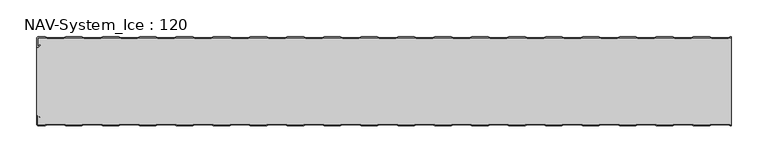
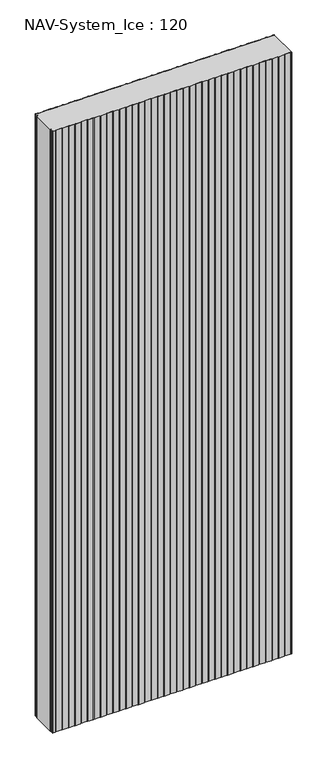
"""IFC4 building model written with IfcOpenShell, lengths in millimetres: plate geometry, NAV-System_Ice : 120."""

from ifc_helpers import new_model, si_unit, point, frame_2d, origin, origin_with_axes, place, context, project, spatial, polyline, circle_curve, trimmed, segment, composite_curve, outline, extrude, source, transform, mapped, element, save


def nav_system_ice_120_50a30727(model_context):
    return source(origin(), model_context, "Body", "SweptSolid", [
        extrude(outline(composite_curve([segment(polyline([(469.1298221, -0.8), (466.1298221, -1.8), (443.8701779, -1.8), (440.8701779, -0.8), (419.1298221, -0.8), (416.1298221, -1.8), (393.8701779, -1.8), (390.8701779, -0.8), (369.1298221, -0.8), (366.1298221, -1.8), (343.8701779, -1.8), (340.8701779, -0.8), (319.1298221, -0.8), (316.1298221, -1.8), (293.8701779, -1.8), (290.8701779, -0.8), (269.1298221, -0.8), (266.1298221, -1.8), (243.8701779, -1.8), (240.8701779, -0.8), (219.1298221, -0.8), (216.1298221, -1.8), (193.8701779, -1.8), (190.8701779, -0.8), (169.1298221, -0.8), (166.1298221, -1.8), (143.8701779, -1.8), (140.8701779, -0.8), (119.1298221, -0.8), (116.1298221, -1.8), (93.8701779, -1.8), (90.8701779, -0.8), (69.1298221, -0.8), (66.1298221, -1.8), (43.8701779, -1.8), (40.8701779, -0.8), (19.1298221, -0.8), (16.1298221, -1.8), (-6.1298221, -1.8), (-9.1298221, -0.8), (-30.8701779, -0.8), (-33.8701779, -1.8), (-56.1298221, -1.8), (-59.1298221, -0.8), (-80.8701779, -0.8), (-83.8701779, -1.8), (-106.1298221, -1.8), (-109.1298221, -0.8), (-130.8701779, -0.8), (-133.8701779, -1.8), (-156.1298221, -1.8), (-159.1298221, -0.8), (-180.8701779, -0.8), (-183.8701779, -1.8), (-206.1298221, -1.8), (-209.1298221, -0.8), (-230.8701779, -0.8), (-233.8701779, -1.8), (-256.1298221, -1.8), (-259.1298221, -0.8), (-280.8701779, -0.8), (-283.8701779, -1.8), (-306.1298221, -1.8), (-309.1298221, -0.8), (-330.8701779, -0.8), (-333.8701779, -1.8), (-356.1298221, -1.8), (-359.1298221, -0.8), (-380.8701779, -0.8), (-383.8701779, -1.8), (-406.1298221, -1.8), (-409.1298221, -0.8), (-430.8701779, -0.8), (-433.8701779, -1.8), (-456.1298221, -1.8), (-459.1298221, -0.8), (-468.7, -0.8)]), True, "CONTINUOUS"), segment(trimmed(circle_curve(frame_2d((-468.7, -1.3)), 0.5), [point((-468.7, -0.8))], [point((-469.2, -1.3))], True, "CARTESIAN"), True, "CONTINUOUS"), segment(polyline([(-469.2, -1.3), (-469.2, -12.5857864)]), True, "CONTINUOUS"), segment(trimmed(circle_curve(frame_2d((-468.7, -12.5857864)), 0.5), [point((-469.2, -12.5857864))], [point((-468.3464466, -12.9393398))], True, "CARTESIAN"), True, "CONTINUOUS"), segment(polyline([(-468.3464466, -12.9393398), (-465.9205321, -10.5134253), (-465.3548467, -11.0791108), (-467.7807612, -13.5050253)]), True, "CONTINUOUS"), segment(trimmed(circle_curve(frame_2d((-468.7, -12.5857864)), 1.3), [point((-467.7807612, -13.5050253))], [point((-470.0, -12.5857864))], False, "CARTESIAN"), True, "CONTINUOUS"), segment(polyline([(-470.0, -12.5857864), (-470.0, -1.3)]), True, "CONTINUOUS"), segment(trimmed(circle_curve(frame_2d((-468.7, -1.3)), 1.3), [point((-470.0, -1.3))], [point((-468.7, 0.0))], False, "CARTESIAN"), True, "CONTINUOUS"), segment(polyline([(-468.7, 0.0), (-459.0, 0.0), (-456.0, -1.0), (-434.0, -1.0), (-431.0, 0.0), (-409.0, 0.0), (-406.0, -1.0), (-384.0, -1.0), (-381.0, 0.0), (-359.0, 0.0), (-356.0, -1.0), (-334.0, -1.0), (-331.0, 0.0), (-309.0, 0.0), (-306.0, -1.0), (-284.0, -1.0), (-281.0, 0.0), (-259.0, 0.0), (-256.0, -1.0), (-234.0, -1.0), (-231.0, 0.0), (-209.0, 0.0), (-206.0, -1.0), (-184.0, -1.0), (-181.0, 0.0), (-159.0, 0.0), (-156.0, -1.0), (-134.0, -1.0), (-131.0, 0.0), (-109.0, 0.0), (-106.0, -1.0), (-84.0, -1.0), (-81.0, 0.0), (-59.0, 0.0), (-56.0, -1.0), (-34.0, -1.0), (-31.0, 0.0), (-9.0, 0.0), (-6.0, -1.0), (16.0, -1.0), (19.0, 0.0), (41.0, 0.0), (44.0, -1.0), (66.0, -1.0), (69.0, 0.0), (91.0, 0.0), (94.0, -1.0), (116.0, -1.0), (119.0, 0.0), (141.0, 0.0), (144.0, -1.0), (166.0, -1.0), (169.0, 0.0), (191.0, 0.0), (194.0, -1.0), (216.0, -1.0), (219.0, 0.0), (241.0, 0.0), (244.0, -1.0), (266.0, -1.0), (269.0, 0.0), (291.0, 0.0), (294.0, -1.0), (316.0, -1.0), (319.0, 0.0), (341.0, 0.0), (344.0, -1.0), (366.0, -1.0), (369.0, 0.0), (391.0, 0.0), (394.0, -1.0), (416.0, -1.0), (419.0, 0.0), (441.0, 0.0), (444.0, -1.0), (466.0, -1.0), (469.0, 0.0), (470.0, 0.0), (470.0, -0.8), (469.1298221, -0.8)]), True, "CONTINUOUS")], self_intersect=False)), origin_with_axes(), (0.0, 0.0, 1.0), 2500.0),
        extrude(outline(composite_curve([segment(polyline([(469.1298221, -119.2), (466.1298221, -118.2), (443.8701779, -118.2), (440.8701779, -119.2), (419.1298221, -119.2), (416.1298221, -118.2), (393.8701779, -118.2), (390.8701779, -119.2), (369.1298221, -119.2), (366.1298221, -118.2), (343.8701779, -118.2), (340.8701779, -119.2), (319.1298221, -119.2), (316.1298221, -118.2), (293.8701779, -118.2), (290.8701779, -119.2), (269.1298221, -119.2), (266.1298221, -118.2), (243.8701779, -118.2), (240.8701779, -119.2), (219.1298221, -119.2), (216.1298221, -118.2), (193.8701779, -118.2), (190.8701779, -119.2), (169.1298221, -119.2), (166.1298221, -118.2), (143.8701779, -118.2), (140.8701779, -119.2), (119.1298221, -119.2), (116.1298221, -118.2), (93.8701779, -118.2), (90.8701779, -119.2), (69.1298221, -119.2), (66.1298221, -118.2), (43.8701779, -118.2), (40.8701779, -119.2), (19.1298221, -119.2), (16.1298221, -118.2), (-6.1298221, -118.2), (-9.1298221, -119.2), (-30.8701779, -119.2), (-33.8701779, -118.2), (-56.1298221, -118.2), (-59.1298221, -119.2), (-80.8701779, -119.2), (-83.8701779, -118.2), (-106.1298221, -118.2), (-109.1298221, -119.2), (-130.8701779, -119.2), (-133.8701779, -118.2), (-156.1298221, -118.2), (-159.1298221, -119.2), (-180.8701779, -119.2), (-183.8701779, -118.2), (-206.1298221, -118.2), (-209.1298221, -119.2), (-230.8701779, -119.2), (-233.8701779, -118.2), (-256.1298221, -118.2), (-259.1298221, -119.2), (-280.8701779, -119.2), (-283.8701779, -118.2), (-306.1298221, -118.2), (-309.1298221, -119.2), (-330.8701779, -119.2), (-333.8701779, -118.2), (-356.1298221, -118.2), (-359.1298221, -119.2), (-380.8701779, -119.2), (-383.8701779, -118.2), (-406.1298221, -118.2), (-409.1298221, -119.2), (-430.8701779, -119.2), (-433.8701779, -118.2), (-456.1298221, -118.2), (-459.1298221, -119.2), (-468.7, -119.2)]), True, "CONTINUOUS"), segment(trimmed(circle_curve(frame_2d((-468.7, -118.7)), 0.5), [point((-468.7, -119.2))], [point((-469.2, -118.7))], False, "CARTESIAN"), True, "CONTINUOUS"), segment(polyline([(-469.2, -118.7), (-469.2, -107.4142136)]), True, "CONTINUOUS"), segment(trimmed(circle_curve(frame_2d((-468.7, -107.4142136)), 0.5), [point((-469.2, -107.4142136))], [point((-468.3464466, -107.0606602))], False, "CARTESIAN"), True, "CONTINUOUS"), segment(polyline([(-468.3464466, -107.0606602), (-465.9205321, -109.4865747), (-465.3548467, -108.9208892), (-467.7807612, -106.4949747)]), True, "CONTINUOUS"), segment(trimmed(circle_curve(frame_2d((-468.7, -107.4142136)), 1.3), [point((-467.7807612, -106.4949747))], [point((-468.7, -106.1142136))], True, "CARTESIAN"), True, "CONTINUOUS"), segment(polyline([(-468.7, -106.1142136), (-470.0, -106.1142136), (-470.0, -13.8857864), (-468.7, -13.8857864)]), True, "CONTINUOUS"), segment(trimmed(circle_curve(frame_2d((-468.7, -12.5857864)), 1.3), [point((-468.7, -13.8857864))], [point((-467.7807612, -13.5050253))], True, "CARTESIAN"), True, "CONTINUOUS"), segment(polyline([(-467.7807612, -13.5050253), (-465.3548467, -11.0791108), (-465.9205321, -10.5134253), (-468.3464466, -12.9393398)]), True, "CONTINUOUS"), segment(trimmed(circle_curve(frame_2d((-468.7, -12.5857864)), 0.5), [point((-468.3464466, -12.9393398))], [point((-469.2, -12.5857864))], False, "CARTESIAN"), True, "CONTINUOUS"), segment(polyline([(-469.2, -12.5857864), (-469.2, -1.3)]), True, "CONTINUOUS"), segment(trimmed(circle_curve(frame_2d((-468.7, -1.3)), 0.5), [point((-469.2, -1.3))], [point((-468.7, -0.8))], False, "CARTESIAN"), True, "CONTINUOUS"), segment(polyline([(-468.7, -0.8), (-459.1298221, -0.8), (-456.1298221, -1.8), (-433.8701779, -1.8), (-430.8701779, -0.8), (-409.1298221, -0.8), (-406.1298221, -1.8), (-383.8701779, -1.8), (-380.8701779, -0.8), (-359.1298221, -0.8), (-356.1298221, -1.8), (-333.8701779, -1.8), (-330.8701779, -0.8), (-309.1298221, -0.8), (-306.1298221, -1.8), (-283.8701779, -1.8), (-280.8701779, -0.8), (-259.1298221, -0.8), (-256.1298221, -1.8), (-233.8701779, -1.8), (-230.8701779, -0.8), (-209.1298221, -0.8), (-206.1298221, -1.8), (-183.8701779, -1.8), (-180.8701779, -0.8), (-159.1298221, -0.8), (-156.1298221, -1.8), (-133.8701779, -1.8), (-130.8701779, -0.8), (-109.1298221, -0.8), (-106.1298221, -1.8), (-83.8701779, -1.8), (-80.8701779, -0.8), (-59.1298221, -0.8), (-56.1298221, -1.8), (-33.8701779, -1.8), (-30.8701779, -0.8), (-9.1298221, -0.8), (-6.1298221, -1.8), (16.1298221, -1.8), (19.1298221, -0.8), (40.8701779, -0.8), (43.8701779, -1.8), (66.1298221, -1.8), (69.1298221, -0.8), (90.8701779, -0.8), (93.8701779, -1.8), (116.1298221, -1.8), (119.1298221, -0.8), (140.8701779, -0.8), (143.8701779, -1.8), (166.1298221, -1.8), (169.1298221, -0.8), (190.8701779, -0.8), (193.8701779, -1.8), (216.1298221, -1.8), (219.1298221, -0.8), (240.8701779, -0.8), (243.8701779, -1.8), (266.1298221, -1.8), (269.1298221, -0.8), (290.8701779, -0.8), (293.8701779, -1.8), (316.1298221, -1.8), (319.1298221, -0.8), (340.8701779, -0.8), (343.8701779, -1.8), (366.1298221, -1.8), (369.1298221, -0.8), (390.8701779, -0.8), (393.8701779, -1.8), (416.1298221, -1.8), (419.1298221, -0.8), (440.8701779, -0.8), (443.8701779, -1.8), (466.1298221, -1.8), (469.1298221, -0.8), (470.0, -0.8), (470.0, -119.2), (469.1298221, -119.2)]), True, "CONTINUOUS")], self_intersect=False)), origin_with_axes(), (0.0, 0.0, 1.0), 2500.0),
        extrude(outline(composite_curve([segment(polyline([(469.0, -120.0), (466.0, -119.0), (444.0, -119.0), (441.0, -120.0), (419.0, -120.0), (416.0, -119.0), (394.0, -119.0), (391.0, -120.0), (369.0, -120.0), (366.0, -119.0), (344.0, -119.0), (341.0, -120.0), (319.0, -120.0), (316.0, -119.0), (294.0, -119.0), (291.0, -120.0), (269.0, -120.0), (266.0, -119.0), (244.0, -119.0), (241.0, -120.0), (219.0, -120.0), (216.0, -119.0), (194.0, -119.0), (191.0, -120.0), (169.0, -120.0), (166.0, -119.0), (144.0, -119.0), (141.0, -120.0), (119.0, -120.0), (116.0, -119.0), (94.0, -119.0), (91.0, -120.0), (69.0, -120.0), (66.0, -119.0), (44.0, -119.0), (41.0, -120.0), (19.0, -120.0), (16.0, -119.0), (-6.0, -119.0), (-9.0, -120.0), (-31.0, -120.0), (-34.0, -119.0), (-56.0, -119.0), (-59.0, -120.0), (-81.0, -120.0), (-84.0, -119.0), (-106.0, -119.0), (-109.0, -120.0), (-131.0, -120.0), (-134.0, -119.0), (-156.0, -119.0), (-159.0, -120.0), (-181.0, -120.0), (-184.0, -119.0), (-206.0, -119.0), (-209.0, -120.0), (-231.0, -120.0), (-234.0, -119.0), (-256.0, -119.0), (-259.0, -120.0), (-281.0, -120.0), (-284.0, -119.0), (-306.0, -119.0), (-309.0, -120.0), (-331.0, -120.0), (-334.0, -119.0), (-356.0, -119.0), (-359.0, -120.0), (-381.0, -120.0), (-384.0, -119.0), (-406.0, -119.0), (-409.0, -120.0), (-431.0, -120.0), (-434.0, -119.0), (-456.0, -119.0), (-459.0, -120.0), (-468.7, -120.0)]), True, "CONTINUOUS"), segment(trimmed(circle_curve(frame_2d((-468.7, -118.7)), 1.3), [point((-468.7, -120.0))], [point((-470.0, -118.7))], False, "CARTESIAN"), True, "CONTINUOUS"), segment(polyline([(-470.0, -118.7), (-470.0, -107.4142136)]), True, "CONTINUOUS"), segment(trimmed(circle_curve(frame_2d((-468.7, -107.4142136)), 1.3), [point((-470.0, -107.4142136))], [point((-467.7807612, -106.4949747))], False, "CARTESIAN"), True, "CONTINUOUS"), segment(polyline([(-467.7807612, -106.4949747), (-465.3548467, -108.9208892), (-465.9205321, -109.4865747), (-468.3464466, -107.0606602)]), True, "CONTINUOUS"), segment(trimmed(circle_curve(frame_2d((-468.7, -107.4142136)), 0.5), [point((-468.3464466, -107.0606602))], [point((-469.2, -107.4142136))], True, "CARTESIAN"), True, "CONTINUOUS"), segment(polyline([(-469.2, -107.4142136), (-469.2, -118.7)]), True, "CONTINUOUS"), segment(trimmed(circle_curve(frame_2d((-468.7, -118.7)), 0.5), [point((-469.2, -118.7))], [point((-468.7, -119.2))], True, "CARTESIAN"), True, "CONTINUOUS"), segment(polyline([(-468.7, -119.2), (-459.1298221, -119.2), (-456.1298221, -118.2), (-433.8701779, -118.2), (-430.8701779, -119.2), (-409.1298221, -119.2), (-406.1298221, -118.2), (-383.8701779, -118.2), (-380.8701779, -119.2), (-359.1298221, -119.2), (-356.1298221, -118.2), (-333.8701779, -118.2), (-330.8701779, -119.2), (-309.1298221, -119.2), (-306.1298221, -118.2), (-283.8701779, -118.2), (-280.8701779, -119.2), (-259.1298221, -119.2), (-256.1298221, -118.2), (-233.8701779, -118.2), (-230.8701779, -119.2), (-209.1298221, -119.2), (-206.1298221, -118.2), (-183.8701779, -118.2), (-180.8701779, -119.2), (-159.1298221, -119.2), (-156.1298221, -118.2), (-133.8701779, -118.2), (-130.8701779, -119.2), (-109.1298221, -119.2), (-106.1298221, -118.2), (-83.8701779, -118.2), (-80.8701779, -119.2), (-59.1298221, -119.2), (-56.1298221, -118.2), (-33.8701779, -118.2), (-30.8701779, -119.2), (-9.1298221, -119.2), (-6.1298221, -118.2), (16.1298221, -118.2), (19.1298221, -119.2), (40.8701779, -119.2), (43.8701779, -118.2), (66.1298221, -118.2), (69.1298221, -119.2), (90.8701779, -119.2), (93.8701779, -118.2), (116.1298221, -118.2), (119.1298221, -119.2), (140.8701779, -119.2), (143.8701779, -118.2), (166.1298221, -118.2), (169.1298221, -119.2), (190.8701779, -119.2), (193.8701779, -118.2), (216.1298221, -118.2), (219.1298221, -119.2), (240.8701779, -119.2), (243.8701779, -118.2), (266.1298221, -118.2), (269.1298221, -119.2), (290.8701779, -119.2), (293.8701779, -118.2), (316.1298221, -118.2), (319.1298221, -119.2), (340.8701779, -119.2), (343.8701779, -118.2), (366.1298221, -118.2), (369.1298221, -119.2), (390.8701779, -119.2), (393.8701779, -118.2), (416.1298221, -118.2), (419.1298221, -119.2), (440.8701779, -119.2), (443.8701779, -118.2), (466.1298221, -118.2), (469.1298221, -119.2), (470.0, -119.2), (470.0, -120.0), (469.0, -120.0)]), True, "CONTINUOUS")], self_intersect=False)), origin_with_axes(), (0.0, 0.0, 1.0), 2500.0),
    ])


if __name__ == "__main__":
    model = new_model("IFC4")
    model_context = context("Model", 3, world=origin())
    ifc_project = project(units=[si_unit("LENGTHUNIT", "METRE", prefix="MILLI")], contexts=[model_context])
    site = spatial("IfcSite", under=ifc_project)
    building = spatial("IfcBuilding", under=site)
    placement = place(None, origin())
    nav_system_ice_120_shape = nav_system_ice_120_50a30727(model_context)
    element("IfcPlate", 1, ObjectType="NAV-System_Ice : 120", at=placement, inside=building, context=model_context, shape_type="MappedRepresentation", body=[
        mapped(nav_system_ice_120_shape, transform((0.0, 0.0, 0.0), x_axis=(1.0, 0.0, 0.0), y_axis=(0.0, 1.0, 0.0), z_axis=(0.0, 0.0, 1.0))),
    ])
    save(model, "model.ifc")
